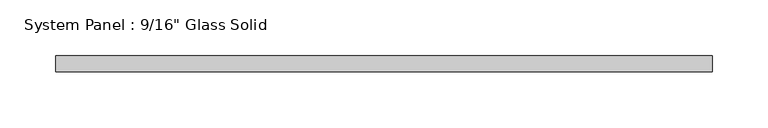
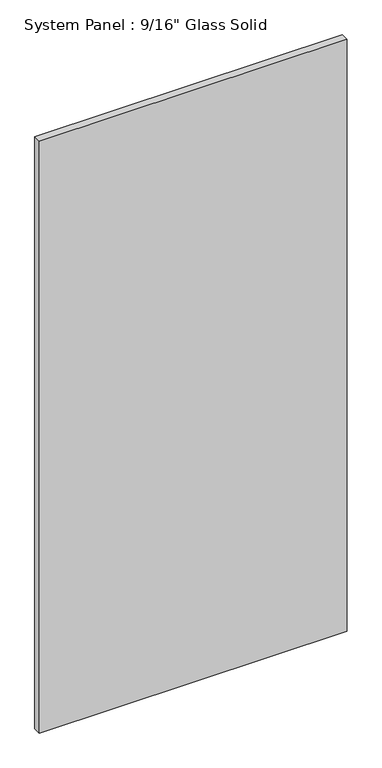
"""IFC4 building model written with IfcOpenShell, lengths in millimetres: plate geometry."""

from ifc_helpers import new_model, si_unit, origin, origin_with_axes, place, context, project, spatial, polyline, outline, extrude, source, transform, mapped, element, save


def plate_10f5717e(model_context):
    return source(origin(), model_context, "Body", "SweptSolid", [
        extrude(outline(polyline([(293.6883852, -7.14375), (-293.6883852, -7.14375), (-293.6883852, 7.14375), (293.6883852, 7.14375), (293.6883852, -7.14375)])), origin_with_axes(), (0.0, 0.0, 1.0), 1193.8017704),
    ])


if __name__ == "__main__":
    model = new_model("IFC4")
    model_context = context("Model", 3, world=origin())
    ifc_project = project(units=[si_unit("LENGTHUNIT", "METRE", prefix="MILLI")], contexts=[model_context])
    site = spatial("IfcSite", under=ifc_project)
    building = spatial("IfcBuilding", under=site)
    placement = place(None, origin())
    plate_shape = plate_10f5717e(model_context)
    element("IfcPlate", 1, ObjectType="System Panel : 9/16\" Glass Solid", at=placement, inside=building, context=model_context, shape_type="MappedRepresentation", body=[
        mapped(plate_shape, transform((0.0, 0.0, 0.0), x_axis=(1.0, 0.0, 0.0), y_axis=(0.0, 1.0, 0.0), z_axis=(0.0, 0.0, 1.0))),
    ])
    save(model, "model.ifc")
